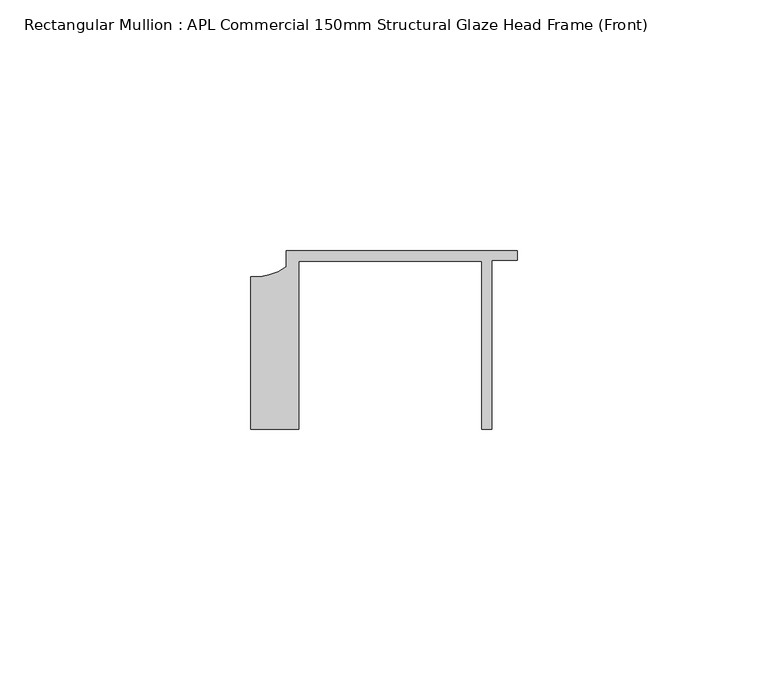
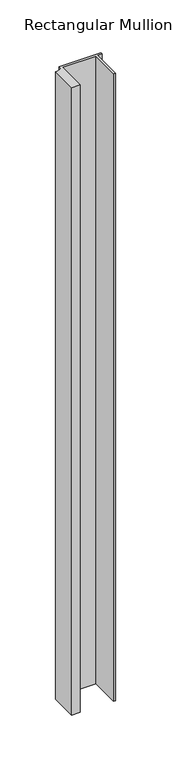
"""IFC4 building model written with IfcOpenShell, lengths in millimetres: member geometry, Rectangular Mullion : APL Commercial 150mm Structural Glaze Head Frame (Front)."""

from ifc_helpers import new_model, si_unit, point, frame, frame_2d, origin, place, context, project, spatial, polyline, circle_curve, trimmed, segment, composite_curve, outline, extrude, source, transform, mapped, element, save


def rectangular_mullion_apl_commercial_150mm_structural_glaze_bbe7bfb4(model_context):
    return source(origin(), model_context, "Body", "SweptSolid", [
        extrude(outline(composite_curve([segment(polyline([(-52.9999542, -15.0), (-52.9999542, 15.3798304)]), True, "CONTINUOUS"), segment(trimmed(circle_curve(frame_2d((-52.109817, 25.7982641)), 10.4563907), [point((-52.9999542, 15.3798304))], [point((-45.9999994, 17.3126154))], True, "CARTESIAN"), True, "CONTINUOUS"), segment(polyline([(-45.9999994, 17.3126154), (-45.9999994, 20.5002486), (0.0, 20.5002486), (0.0, 18.7002486), (-5.0, 18.7002486), (-5.0, -15.0), (-7.0, -15.0), (-7.0, 18.5002486), (-43.5000151, 18.5002486), (-43.5000151, -15.0), (-52.9999542, -15.0)]), True, "CONTINUOUS")], self_intersect=False)), frame((0.0, 0.0, -724.5786456), z_axis=(0.0, 0.0, 1.0), x_axis=(1.0, 0.0, 0.0)), (0.0, 0.0, 1.0), 724.5786456),
    ])


if __name__ == "__main__":
    model = new_model("IFC4")
    model_context = context("Model", 3, world=origin())
    ifc_project = project(units=[si_unit("LENGTHUNIT", "METRE", prefix="MILLI")], contexts=[model_context])
    site = spatial("IfcSite", under=ifc_project)
    building = spatial("IfcBuilding", under=site)
    placement = place(None, origin())
    rectangular_mullion_apl_commercial_150mm_structural_glaze_shape = rectangular_mullion_apl_commercial_150mm_structural_glaze_bbe7bfb4(model_context)
    element("IfcMember", 1, ObjectType="Rectangular Mullion : APL Commercial 150mm Structural Glaze Head Frame (Front)", at=placement, inside=building, context=model_context, shape_type="MappedRepresentation", body=[
        mapped(rectangular_mullion_apl_commercial_150mm_structural_glaze_shape, transform((0.0, 0.0, 0.0), x_axis=(1.0, 0.0, 0.0), y_axis=(0.0, 1.0, 0.0), z_axis=(0.0, 0.0, 1.0))),
    ])
    save(model, "model.ifc")
